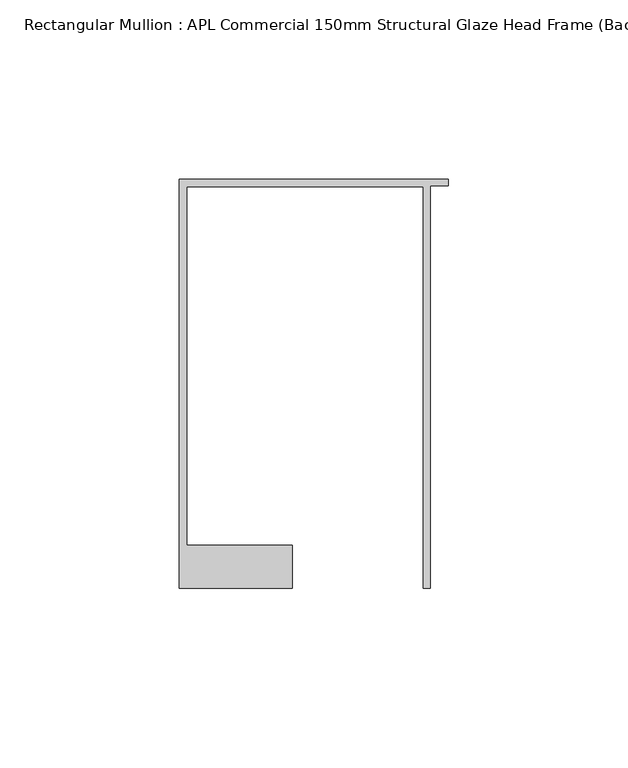
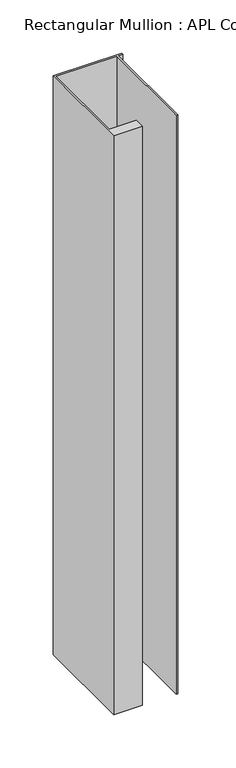
"""IFC4 building model written with IfcOpenShell, lengths in millimetres: member geometry, Rectangular Mullion : APL Commercial 150mm Structural Glaze Head Frame (Back)."""

from ifc_helpers import new_model, si_unit, frame, origin, place, context, project, spatial, polyline, outline, extrude, source, transform, mapped, element, save


def rectangular_mullion_apl_commercial_150mm_structural_glaze_161e4a88(model_context):
    return source(origin(), model_context, "Body", "SweptSolid", [
        extrude(outline(polyline([(-75.0, 128.9993063), (0.0, 128.9993063), (0.0, 127.1993063), (-5.0, 127.1993063), (-5.0, 14.9998342), (-7.0, 14.9998342), (-7.0, 126.9993063), (-73.0, 126.9993063), (-73.0, 26.9997514), (-43.5000151, 26.9997514), (-43.5000151, 14.9998342), (-75.0, 14.9998342), (-75.0, 128.9993063)])), frame((0.0, 0.0, -666.0250258), z_axis=(0.0, 0.0, 1.0), x_axis=(1.0, 0.0, 0.0)), (0.0, 0.0, 1.0), 666.0250258),
    ])


if __name__ == "__main__":
    model = new_model("IFC4")
    model_context = context("Model", 3, world=origin())
    ifc_project = project(units=[si_unit("LENGTHUNIT", "METRE", prefix="MILLI")], contexts=[model_context])
    site = spatial("IfcSite", under=ifc_project)
    building = spatial("IfcBuilding", under=site)
    placement = place(None, origin())
    rectangular_mullion_apl_commercial_150mm_structural_glaze_shape = rectangular_mullion_apl_commercial_150mm_structural_glaze_161e4a88(model_context)
    element("IfcMember", 1, ObjectType="Rectangular Mullion : APL Commercial 150mm Structural Glaze Head Frame (Back)", at=placement, inside=building, context=model_context, shape_type="MappedRepresentation", body=[
        mapped(rectangular_mullion_apl_commercial_150mm_structural_glaze_shape, transform((0.0, 0.0, 0.0), x_axis=(1.0, 0.0, 0.0), y_axis=(0.0, 1.0, 0.0), z_axis=(0.0, 0.0, 1.0))),
    ])
    save(model, "model.ifc")
